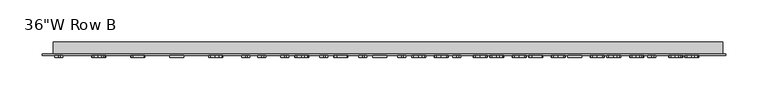
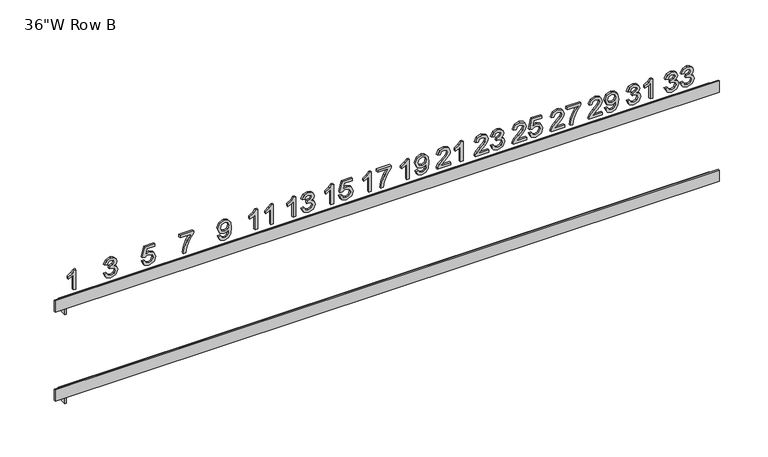
"""IFC4 building model written with IfcOpenShell, lengths in millimetres: furniture geometry."""

from ifc_helpers import new_model, si_unit, frame, origin, place, context, project, spatial, polyline, outline, extrude, faceted_brep, source, transform, mapped, element, save


def furniture_db284734(model_context):
    return source(origin(), model_context, "Body", "SolidModel", [
        extrude(outline(polyline([(1269.9374769, 354.7691788), (1264.8635827, 357.2542269), (1262.9036308, 362.7372077), (1265.1994, 368.788025), (1270.7922846, 371.1814865), (1274.8587269, 369.9847558), (1276.9957462, 366.5777365), (1279.0656019, 369.1421596), (1281.947525, 370.0091788), (1285.1011548, 369.0963663), (1287.4457702, 366.458674), (1288.3036308, 362.6883615), (1286.5634865, 357.7182654), (1281.6605538, 355.1599481), (1281.2697846, 358.2861019), (1284.2005538, 359.81865), (1285.1774769, 362.7982654), (1284.2097125, 365.7412462), (1281.7643519, 366.883025), (1279.0045442, 365.3077365), (1278.1436308, 361.2596115), (1275.0174769, 360.9115827), (1275.3594, 363.1035538), (1274.0802413, 366.6571115), (1270.8472365, 368.0553327), (1267.4157942, 366.6449), (1266.0297846, 362.8471115), (1267.0372365, 359.6202125), (1270.3282462, 357.8953327), (1269.9374769, 354.7691788)])), frame((0.0, -18.25625, 0.0), z_axis=(0.0, 1.0, 0.0), x_axis=(0.0, 0.0, 1.0)), (0.0, 0.0, 1.0), 2.38125),
        extrude(outline(polyline([(1269.9374769, 373.9168712), (1264.8635827, 376.4019192), (1262.9036308, 381.8849), (1265.1994, 387.9357173), (1270.7922846, 390.3291788), (1274.8587269, 389.1324481), (1276.9957462, 385.7254288), (1279.0656019, 388.2898519), (1281.947525, 389.1568712), (1285.1011548, 388.2440587), (1287.4457702, 385.6063663), (1288.3036308, 381.8360538), (1286.5634865, 376.8659577), (1281.6605538, 374.3076404), (1281.2697846, 377.4337942), (1284.2005538, 378.9663423), (1285.1774769, 381.9459577), (1284.2097125, 384.8889385), (1281.7643519, 386.0307173), (1279.0045442, 384.4554288), (1278.1436308, 380.4073038), (1275.0174769, 380.059275), (1275.3594, 382.2512462), (1274.0802413, 385.8048038), (1270.8472365, 387.203025), (1267.4157942, 385.7925923), (1266.0297846, 381.9948038), (1267.0372365, 378.7679048), (1270.3282462, 377.043025), (1269.9374769, 373.9168712)])), frame((0.0, -18.25625, 0.0), z_axis=(0.0, 1.0, 0.0), x_axis=(0.0, 0.0, 1.0)), (0.0, 0.0, 1.0), 2.38125),
        extrude(outline(polyline([(1269.9374769, 308.7316788), (1264.8635827, 311.2167269), (1262.9036308, 316.6997077), (1265.1994, 322.750525), (1270.7922846, 325.1439865), (1274.8587269, 323.9472558), (1276.9957462, 320.5402365), (1279.0656019, 323.1046596), (1281.947525, 323.9716788), (1285.1011548, 323.0588663), (1287.4457702, 320.421174), (1288.3036308, 316.6508615), (1286.5634865, 311.6807654), (1281.6605538, 309.1224481), (1281.2697846, 312.2486019), (1284.2005538, 313.78115), (1285.1774769, 316.7607654), (1284.2097125, 319.7037462), (1281.7643519, 320.845525), (1279.0045442, 319.2702365), (1278.1436308, 315.2221115), (1275.0174769, 314.8740827), (1275.3594, 317.0660538), (1274.0802413, 320.6196115), (1270.8472365, 322.0178327), (1267.4157942, 320.6074), (1266.0297846, 316.8096115), (1267.0372365, 313.5827125), (1270.3282462, 311.8578327), (1269.9374769, 308.7316788)])), frame((0.0, -18.25625, 0.0), z_axis=(0.0, 1.0, 0.0), x_axis=(0.0, 0.0, 1.0)), (0.0, 0.0, 1.0), 2.38125),
        extrude(outline(polyline([(1263.2944, 339.6024481), (1288.3036308, 339.6024481), (1288.3036308, 337.5875442), (1284.9759865, 334.8063663), (1282.0513231, 330.2239865), (1279.0961308, 330.2239865), (1280.6744721, 333.5149962), (1282.7840154, 336.4762942), (1263.2944, 336.4762942), (1263.2944, 339.6024481)])), frame((0.0, -18.25625, 0.0), z_axis=(0.0, 1.0, 0.0), x_axis=(0.0, 0.0, 1.0)), (0.0, 0.0, 1.0), 2.38125),
        extrude(outline(polyline([(1266.4205538, 278.7157173), (1266.4205538, 266.4370154), (1268.0111067, 267.8474481), (1271.0181981, 271.4437462), (1275.3013952, 275.9223279), (1278.3664913, 277.7693231), (1281.3308423, 278.3249481), (1286.3009385, 276.264251), (1288.3036308, 270.6683135), (1286.5024288, 265.0906933), (1281.2697846, 262.6941788), (1280.8790154, 265.8203327), (1284.0356981, 267.136126), (1285.1774769, 270.60115), (1284.0082221, 273.9257413), (1281.1415635, 275.1987942), (1277.6002173, 273.8494192), (1272.3919962, 268.4519192), (1268.7682221, 264.5381212), (1265.4497365, 262.6392269), (1263.2944, 262.3034096), (1263.2944, 278.7157173), (1266.4205538, 278.7157173)])), frame((0.0, -18.25625, 0.0), z_axis=(0.0, 1.0, 0.0), x_axis=(0.0, 0.0, 1.0)), (0.0, 0.0, 1.0), 2.38125),
        extrude(outline(polyline([(1269.5467077, 282.2326404), (1264.6468279, 284.4734577), (1262.9036308, 289.2786981), (1264.3812269, 294.1053087), (1268.6827413, 297.2100923), (1276.2752654, 298.2541788), (1283.2724769, 297.2070394), (1286.9969962, 294.1419433), (1288.3036308, 289.6877846), (1286.0139673, 284.0796356), (1279.9692558, 281.8418712), (1274.1138231, 283.9758375), (1271.8913231, 289.1993231), (1272.8010827, 292.6277125), (1274.5595442, 295.1463423), (1270.9327173, 294.6945154), (1268.21565, 293.671799), (1266.6250971, 291.9560779), (1266.0297846, 289.4252365), (1266.9548087, 286.7631212), (1269.9374769, 285.3587942), (1269.5467077, 282.2326404)]), holes=[polyline([(1280.042525, 295.128025), (1276.3515875, 293.7145394), (1275.0174769, 290.1090827), (1276.3515875, 286.3540346), (1279.8166115, 284.968025), (1283.6846163, 286.4334096), (1285.1774769, 290.1945635), (1283.7914673, 293.77865), (1280.042525, 295.128025)])]), frame((0.0, -18.25625, 0.0), z_axis=(0.0, 1.0, 0.0), x_axis=(0.0, 0.0, 1.0)), (0.0, 0.0, 1.0), 2.38125),
        extrude(outline(polyline([(1266.4205538, 232.6782173), (1266.4205538, 220.3995154), (1268.0111067, 221.8099481), (1271.0181981, 225.4062462), (1275.3013952, 229.8848279), (1278.3664913, 231.7318231), (1281.3308423, 232.2874481), (1286.3009385, 230.226751), (1288.3036308, 224.6308135), (1286.5024288, 219.0531933), (1281.2697846, 216.6566788), (1280.8790154, 219.7828327), (1284.0356981, 221.098626), (1285.1774769, 224.56365), (1284.0082221, 227.8882413), (1281.1415635, 229.1612942), (1277.6002173, 227.8119192), (1272.3919962, 222.4144192), (1268.7682221, 218.5006212), (1265.4497365, 216.6017269), (1263.2944, 216.2659096), (1263.2944, 232.6782173), (1266.4205538, 232.6782173)])), frame((0.0, -18.25625, 0.0), z_axis=(0.0, 1.0, 0.0), x_axis=(0.0, 0.0, 1.0)), (0.0, 0.0, 1.0), 2.38125),
        extrude(outline(polyline([(1284.7867077, 235.8043712), (1284.7867077, 249.090525), (1278.3176452, 244.3646596), (1270.3465635, 240.9545875), (1263.2944, 239.7120635), (1263.2944, 242.8382173), (1270.0901212, 243.9983135), (1278.6595683, 247.5610298), (1285.3850731, 252.2166788), (1287.9128615, 252.2166788), (1287.9128615, 235.8043712), (1284.7867077, 235.8043712)])), frame((0.0, -18.25625, 0.0), z_axis=(0.0, 1.0, 0.0), x_axis=(0.0, 0.0, 1.0)), (0.0, 0.0, 1.0), 2.38125),
        extrude(outline(polyline([(1266.4205538, 186.6407173), (1266.4205538, 174.3620154), (1268.0111067, 175.7724481), (1271.0181981, 179.3687462), (1275.3013952, 183.8473279), (1278.3664913, 185.6943231), (1281.3308423, 186.2499481), (1286.3009385, 184.189251), (1288.3036308, 178.5933135), (1286.5024288, 173.0156933), (1281.2697846, 170.6191788), (1280.8790154, 173.7453327), (1284.0356981, 175.061126), (1285.1774769, 178.52615), (1284.0082221, 181.8507413), (1281.1415635, 183.1237942), (1277.6002173, 181.7744192), (1272.3919962, 176.3769192), (1268.7682221, 172.4631212), (1265.4497365, 170.5642269), (1263.2944, 170.2284096), (1263.2944, 186.6407173), (1266.4205538, 186.6407173)])), frame((0.0, -18.25625, 0.0), z_axis=(0.0, 1.0, 0.0), x_axis=(0.0, 0.0, 1.0)), (0.0, 0.0, 1.0), 2.38125),
        extrude(outline(polyline([(1269.9374769, 189.7668712), (1264.830001, 192.206126), (1262.9036308, 197.7226885), (1265.9015635, 204.2192269), (1271.7020442, 206.1791788), (1277.4658904, 204.0024721), (1279.7067077, 198.6568712), (1277.8994, 194.08365), (1284.7867077, 195.4208135), (1284.7867077, 205.0068712), (1287.9128615, 205.0068712), (1287.9128615, 192.893025), (1275.0174769, 190.1576404), (1274.6267077, 193.2837942), (1276.0371404, 195.0392029), (1276.5805538, 197.7837462), (1275.2189673, 201.7433375), (1271.5066596, 203.053025), (1267.528751, 201.6548038), (1266.0297846, 197.7349), (1267.1074529, 194.4683135), (1270.3282462, 192.893025), (1269.9374769, 189.7668712)])), frame((0.0, -18.25625, 0.0), z_axis=(0.0, 1.0, 0.0), x_axis=(0.0, 0.0, 1.0)), (0.0, 0.0, 1.0), 2.38125),
        extrude(outline(polyline([(1266.4205538, 140.6032173), (1266.4205538, 128.3245154), (1268.0111067, 129.7349481), (1271.0181981, 133.3312462), (1275.3013952, 137.8098279), (1278.3664913, 139.6568231), (1281.3308423, 140.2124481), (1286.3009385, 138.151751), (1288.3036308, 132.5558135), (1286.5024288, 126.9781933), (1281.2697846, 124.5816788), (1280.8790154, 127.7078327), (1284.0356981, 129.023626), (1285.1774769, 132.48865), (1284.0082221, 135.8132413), (1281.1415635, 137.0862942), (1277.6002173, 135.7369192), (1272.3919962, 130.3394192), (1268.7682221, 126.4256212), (1265.4497365, 124.5267269), (1263.2944, 124.1909096), (1263.2944, 140.6032173), (1266.4205538, 140.6032173)])), frame((0.0, -18.25625, 0.0), z_axis=(0.0, 1.0, 0.0), x_axis=(0.0, 0.0, 1.0)), (0.0, 0.0, 1.0), 2.38125),
        extrude(outline(polyline([(1269.9374769, 143.7293712), (1264.8635827, 146.2144192), (1262.9036308, 151.6974), (1265.1994, 157.7482173), (1270.7922846, 160.1416788), (1274.8587269, 158.9449481), (1276.9957462, 155.5379288), (1279.0656019, 158.1023519), (1281.947525, 158.9693712), (1285.1011548, 158.0565587), (1287.4457702, 155.4188663), (1288.3036308, 151.6485538), (1286.5634865, 146.6784577), (1281.6605538, 144.1201404), (1281.2697846, 147.2462942), (1284.2005538, 148.7788423), (1285.1774769, 151.7584577), (1284.2097125, 154.7014385), (1281.7643519, 155.8432173), (1279.0045442, 154.2679288), (1278.1436308, 150.2198038), (1275.0174769, 149.871775), (1275.3594, 152.0637462), (1274.0802413, 155.6173038), (1270.8472365, 157.015525), (1267.4157942, 155.6050923), (1266.0297846, 151.8073038), (1267.0372365, 148.5804048), (1270.3282462, 146.855525), (1269.9374769, 143.7293712)])), frame((0.0, -18.25625, 0.0), z_axis=(0.0, 1.0, 0.0), x_axis=(0.0, 0.0, 1.0)), (0.0, 0.0, 1.0), 2.38125),
        extrude(outline(polyline([(1266.4205538, 94.5657173), (1266.4205538, 82.2870154), (1268.0111067, 83.6974481), (1271.0181981, 87.2937462), (1275.3013952, 91.7723279), (1278.3664913, 93.6193231), (1281.3308423, 94.1749481), (1286.3009385, 92.114251), (1288.3036308, 86.5183135), (1286.5024288, 80.9406933), (1281.2697846, 78.5441788), (1280.8790154, 81.6703327), (1284.0356981, 82.986126), (1285.1774769, 86.45115), (1284.0082221, 89.7757413), (1281.1415635, 91.0487942), (1277.6002173, 89.6994192), (1272.3919962, 84.3019192), (1268.7682221, 80.3881212), (1265.4497365, 78.4892269), (1263.2944, 78.1534096), (1263.2944, 94.5657173), (1266.4205538, 94.5657173)])), frame((0.0, -18.25625, 0.0), z_axis=(0.0, 1.0, 0.0), x_axis=(0.0, 0.0, 1.0)), (0.0, 0.0, 1.0), 2.38125),
        extrude(outline(polyline([(1263.2944, 109.4149481), (1288.3036308, 109.4149481), (1288.3036308, 107.4000442), (1284.9759865, 104.6188663), (1282.0513231, 100.0364865), (1279.0961308, 100.0364865), (1280.6744721, 103.3274962), (1282.7840154, 106.2887942), (1263.2944, 106.2887942), (1263.2944, 109.4149481)])), frame((0.0, -18.25625, 0.0), z_axis=(0.0, 1.0, 0.0), x_axis=(0.0, 0.0, 1.0)), (0.0, 0.0, 1.0), 2.38125),
        extrude(outline(polyline([(1263.2944, 44.2297558), (1288.3036308, 44.2297558), (1288.3036308, 42.2148519), (1284.9759865, 39.433674), (1282.0513231, 34.8512942), (1279.0961308, 34.8512942), (1280.6744721, 38.1423038), (1282.7840154, 41.1036019), (1263.2944, 41.1036019), (1263.2944, 44.2297558)])), frame((0.0, -18.25625, 0.0), z_axis=(0.0, 1.0, 0.0), x_axis=(0.0, 0.0, 1.0)), (0.0, 0.0, 1.0), 2.38125),
        extrude(outline(polyline([(1269.5467077, 52.0451404), (1264.6468279, 54.2859577), (1262.9036308, 59.0911981), (1264.3812269, 63.9178087), (1268.6827413, 67.0225923), (1276.2752654, 68.0666788), (1283.2724769, 67.0195394), (1286.9969962, 63.9544433), (1288.3036308, 59.5002846), (1286.0139673, 53.8921356), (1279.9692558, 51.6543712), (1274.1138231, 53.7883375), (1271.8913231, 59.0118231), (1272.8010827, 62.4402125), (1274.5595442, 64.9588423), (1270.9327173, 64.5070154), (1268.21565, 63.484299), (1266.6250971, 61.7685779), (1266.0297846, 59.2377365), (1266.9548087, 56.5756212), (1269.9374769, 55.1712942), (1269.5467077, 52.0451404)]), holes=[polyline([(1280.042525, 64.940525), (1276.3515875, 63.5270394), (1275.0174769, 59.9215827), (1276.3515875, 56.1665346), (1279.8166115, 54.780525), (1283.6846163, 56.2459096), (1285.1774769, 60.0070635), (1283.7914673, 63.59115), (1280.042525, 64.940525)])]), frame((0.0, -18.25625, 0.0), z_axis=(0.0, 1.0, 0.0), x_axis=(0.0, 0.0, 1.0)), (0.0, 0.0, 1.0), 2.38125),
        extrude(outline(polyline([(1263.2944, -1.8077442), (1288.3036308, -1.8077442), (1288.3036308, -3.8226481), (1284.9759865, -6.603826), (1282.0513231, -11.1862058), (1279.0961308, -11.1862058), (1280.6744721, -7.8951962), (1282.7840154, -4.9338981), (1263.2944, -4.9338981), (1263.2944, -1.8077442)])), frame((0.0, -18.25625, 0.0), z_axis=(0.0, 1.0, 0.0), x_axis=(0.0, 0.0, 1.0)), (0.0, 0.0, 1.0), 2.38125),
        extrude(outline(polyline([(1284.7867077, 5.6168712), (1284.7867077, 18.903025), (1278.3176452, 14.1771596), (1270.3465635, 10.7670875), (1263.2944, 9.5245635), (1263.2944, 12.6507173), (1270.0901212, 13.8108135), (1278.6595683, 17.3735298), (1285.3850731, 22.0291788), (1287.9128615, 22.0291788), (1287.9128615, 5.6168712), (1284.7867077, 5.6168712)])), frame((0.0, -18.25625, 0.0), z_axis=(0.0, 1.0, 0.0), x_axis=(0.0, 0.0, 1.0)), (0.0, 0.0, 1.0), 2.38125),
        extrude(outline(polyline([(1263.2944, -47.8452442), (1288.3036308, -47.8452442), (1288.3036308, -49.8601481), (1284.9759865, -52.641326), (1282.0513231, -57.2237058), (1279.0961308, -57.2237058), (1280.6744721, -53.9326962), (1282.7840154, -50.9713981), (1263.2944, -50.9713981), (1263.2944, -47.8452442)])), frame((0.0, -18.25625, 0.0), z_axis=(0.0, 1.0, 0.0), x_axis=(0.0, 0.0, 1.0)), (0.0, 0.0, 1.0), 2.38125),
        extrude(outline(polyline([(1269.9374769, -40.4206288), (1264.830001, -37.981374), (1262.9036308, -32.4648115), (1265.9015635, -25.9682731), (1271.7020442, -24.0083212), (1277.4658904, -26.1850279), (1279.7067077, -31.5306288), (1277.8994, -36.10385), (1284.7867077, -34.7666865), (1284.7867077, -25.1806288), (1287.9128615, -25.1806288), (1287.9128615, -37.294475), (1275.0174769, -40.0298596), (1274.6267077, -36.9037058), (1276.0371404, -35.1482971), (1276.5805538, -32.4037538), (1275.2189673, -28.4441625), (1271.5066596, -27.134475), (1267.528751, -28.5326962), (1266.0297846, -32.4526), (1267.1074529, -35.7191865), (1270.3282462, -37.294475), (1269.9374769, -40.4206288)])), frame((0.0, -18.25625, 0.0), z_axis=(0.0, 1.0, 0.0), x_axis=(0.0, 0.0, 1.0)), (0.0, 0.0, 1.0), 2.38125),
        extrude(outline(polyline([(1263.2944, -93.8827442), (1288.3036308, -93.8827442), (1288.3036308, -95.8976481), (1284.9759865, -98.678826), (1282.0513231, -103.2612058), (1279.0961308, -103.2612058), (1280.6744721, -99.9701962), (1282.7840154, -97.0088981), (1263.2944, -97.0088981), (1263.2944, -93.8827442)])), frame((0.0, -18.25625, 0.0), z_axis=(0.0, 1.0, 0.0), x_axis=(0.0, 0.0, 1.0)), (0.0, 0.0, 1.0), 2.38125),
        extrude(outline(polyline([(1269.9374769, -86.4581288), (1264.8635827, -83.9730808), (1262.9036308, -78.4901), (1265.1994, -72.4392827), (1270.7922846, -70.0458212), (1274.8587269, -71.2425519), (1276.9957462, -74.6495712), (1279.0656019, -72.0851481), (1281.947525, -71.2181288), (1285.1011548, -72.1309413), (1287.4457702, -74.7686337), (1288.3036308, -78.5389462), (1286.5634865, -83.5090423), (1281.6605538, -86.0673596), (1281.2697846, -82.9412058), (1284.2005538, -81.4086577), (1285.1774769, -78.4290423), (1284.2097125, -75.4860615), (1281.7643519, -74.3442827), (1279.0045442, -75.9195712), (1278.1436308, -79.9676962), (1275.0174769, -80.315725), (1275.3594, -78.1237538), (1274.0802413, -74.5701962), (1270.8472365, -73.171975), (1267.4157942, -74.5824077), (1266.0297846, -78.3801962), (1267.0372365, -81.6070952), (1270.3282462, -83.331975), (1269.9374769, -86.4581288)])), frame((0.0, -18.25625, 0.0), z_axis=(0.0, 1.0, 0.0), x_axis=(0.0, 0.0, 1.0)), (0.0, 0.0, 1.0), 2.38125),
        extrude(outline(polyline([(1263.2944, -139.9202442), (1288.3036308, -139.9202442), (1288.3036308, -141.9351481), (1284.9759865, -144.716326), (1282.0513231, -149.2987058), (1279.0961308, -149.2987058), (1280.6744721, -146.0076962), (1282.7840154, -143.0463981), (1263.2944, -143.0463981), (1263.2944, -139.9202442)])), frame((0.0, -18.25625, 0.0), z_axis=(0.0, 1.0, 0.0), x_axis=(0.0, 0.0, 1.0)), (0.0, 0.0, 1.0), 2.38125),
        extrude(outline(polyline([(1263.2944, -120.7725519), (1288.3036308, -120.7725519), (1288.3036308, -122.7874558), (1284.9759865, -125.5686337), (1282.0513231, -130.1510135), (1279.0961308, -130.1510135), (1280.6744721, -126.8600038), (1282.7840154, -123.8987058), (1263.2944, -123.8987058), (1263.2944, -120.7725519)])), frame((0.0, -18.25625, 0.0), z_axis=(0.0, 1.0, 0.0), x_axis=(0.0, 0.0, 1.0)), (0.0, 0.0, 1.0), 2.38125),
        extrude(outline(polyline([(1269.5467077, -187.7162058), (1264.6468279, -185.4753885), (1262.9036308, -180.6701481), (1264.3812269, -175.8435375), (1268.6827413, -172.7387538), (1276.2752654, -171.6946673), (1283.2724769, -172.7418067), (1286.9969962, -175.8069029), (1288.3036308, -180.2610615), (1286.0139673, -185.8692106), (1279.9692558, -188.106975), (1274.1138231, -185.9730087), (1271.8913231, -180.7495231), (1272.8010827, -177.3211337), (1274.5595442, -174.8025038), (1270.9327173, -175.2543308), (1268.21565, -176.2770471), (1266.6250971, -177.9927683), (1266.0297846, -180.5236096), (1266.9548087, -183.185725), (1269.9374769, -184.5900519), (1269.5467077, -187.7162058)]), holes=[polyline([(1280.042525, -174.8208212), (1276.3515875, -176.2343067), (1275.0174769, -179.8397635), (1276.3515875, -183.5948115), (1279.8166115, -184.9808212), (1283.6846163, -183.5154365), (1285.1774769, -179.7542827), (1283.7914673, -176.1701962), (1280.042525, -174.8208212)])]), frame((0.0, -18.25625, 0.0), z_axis=(0.0, 1.0, 0.0), x_axis=(0.0, 0.0, 1.0)), (0.0, 0.0, 1.0), 2.38125),
        extrude(outline(polyline([(1284.7867077, -234.144475), (1284.7867077, -220.8583212), (1278.3176452, -225.5841865), (1270.3465635, -228.9942587), (1263.2944, -230.2367827), (1263.2944, -227.1106288), (1270.0901212, -225.9505327), (1278.6595683, -222.3878163), (1285.3850731, -217.7321673), (1287.9128615, -217.7321673), (1287.9128615, -234.144475), (1284.7867077, -234.144475)])), frame((0.0, -18.25625, 0.0), z_axis=(0.0, 1.0, 0.0), x_axis=(0.0, 0.0, 1.0)), (0.0, 0.0, 1.0), 2.38125),
        extrude(outline(polyline([(1269.9374769, -280.181975), (1264.830001, -277.7427202), (1262.9036308, -272.2261577), (1265.9015635, -265.7296192), (1271.7020442, -263.7696673), (1277.4658904, -265.946374), (1279.7067077, -271.291975), (1277.8994, -275.8651962), (1284.7867077, -274.5280327), (1284.7867077, -264.941975), (1287.9128615, -264.941975), (1287.9128615, -277.0558212), (1275.0174769, -279.7912058), (1274.6267077, -276.6650519), (1276.0371404, -274.9096433), (1276.5805538, -272.1651), (1275.2189673, -268.2055087), (1271.5066596, -266.8958212), (1267.528751, -268.2940423), (1266.0297846, -272.2139462), (1267.1074529, -275.4805327), (1270.3282462, -277.0558212), (1269.9374769, -280.181975)])), frame((0.0, -18.25625, 0.0), z_axis=(0.0, 1.0, 0.0), x_axis=(0.0, 0.0, 1.0)), (0.0, 0.0, 1.0), 2.38125),
        extrude(outline(polyline([(1269.9374769, -326.219475), (1264.8635827, -323.7344269), (1262.9036308, -318.2514462), (1265.1994, -312.2006288), (1270.7922846, -309.8071673), (1274.8587269, -311.0038981), (1276.9957462, -314.4109173), (1279.0656019, -311.8464942), (1281.947525, -310.979475), (1285.1011548, -311.8922875), (1287.4457702, -314.5299798), (1288.3036308, -318.3002923), (1286.5634865, -323.2703885), (1281.6605538, -325.8287058), (1281.2697846, -322.7025519), (1284.2005538, -321.1700038), (1285.1774769, -318.1903885), (1284.2097125, -315.2474077), (1281.7643519, -314.1056288), (1279.0045442, -315.6809173), (1278.1436308, -319.7290423), (1275.0174769, -320.0770712), (1275.3594, -317.8851), (1274.0802413, -314.3315423), (1270.8472365, -312.9333212), (1267.4157942, -314.3437538), (1266.0297846, -318.1415423), (1267.0372365, -321.3684413), (1270.3282462, -323.0933212), (1269.9374769, -326.219475)])), frame((0.0, -18.25625, 0.0), z_axis=(0.0, 1.0, 0.0), x_axis=(0.0, 0.0, 1.0)), (0.0, 0.0, 1.0), 2.38125),
        extrude(outline(polyline([(1263.2944, -360.5338981), (1288.3036308, -360.5338981), (1288.3036308, -362.5488019), (1284.9759865, -365.3299798), (1282.0513231, -369.9123596), (1279.0961308, -369.9123596), (1280.6744721, -366.62135), (1282.7840154, -363.6600519), (1263.2944, -363.6600519), (1263.2944, -360.5338981)])), frame((0.0, -18.25625, 0.0), z_axis=(0.0, 1.0, 0.0), x_axis=(0.0, 0.0, 1.0)), (0.0, 0.0, 1.0), 2.38125),
        faceted_brep([(-371.7873583, -13.9699322, 1117.1991562), (-369.8823681, -13.9699322, 1117.1991562), (-369.8823681, -13.9699322, 1126.4906403), (-371.7873583, -13.9699322, 1126.4906403), (-371.7873583, 0.0, 1117.1991562), (-371.7873583, 0.0, 1129.8997194), (418.7822789, 0.0, 1129.8997194), (418.7822789, 0.0, 1126.4906403), (-369.8823681, 0.0, 1126.4906403), (-369.8823681, 0.0, 1117.1991562), (418.7822789, -13.9699322, 1126.4906403), (421.9627049, -13.9699322, 1126.4906403), (421.9627049, -15.875, 1126.4906403), (-384.4872951, -15.875, 1126.4906403), (-384.4872951, -13.9699322, 1126.4906403), (418.7822789, -13.9699322, 1129.8997194), (-371.7873583, -13.9699322, 1129.8997194), (-384.4872951, -15.875, 1140.7145632), (-384.4872951, -13.9699322, 1140.7145632), (421.9627049, -15.875, 1140.7145632), (421.9627049, -13.9699322, 1140.7145632)], [[[0, 1, 2, 3]], [[4, 5, 6, 7, 8, 9]], [[1, 0, 4, 9]], [[2, 1, 9, 8]], [[8, 7, 10, 11, 12, 13, 14, 3, 2]], [[7, 6, 15, 10]], [[6, 5, 16, 15]], [[5, 4, 0, 3, 16]], [[17, 18, 14, 13]], [[19, 12, 11, 20]], [[18, 17, 19, 20]], [[14, 18, 20, 11, 10, 15, 16, 3]], [[17, 13, 12, 19]]]),
        faceted_brep([(-371.7873583, -13.9699322, 1231.5191167), (-369.8823681, -13.9699322, 1231.5191167), (-369.8823681, -13.9699322, 1240.7900703), (-371.7873583, -13.9699322, 1240.7900703), (-371.7873583, 0.0, 1231.5191167), (-371.7873583, 0.0, 1244.2190534), (418.7822789, 0.0, 1244.2190534), (418.7822789, 0.0, 1240.7900703), (-369.8823681, 0.0, 1240.7900703), (-369.8823681, 0.0, 1231.5191167), (418.7822789, -13.9699322, 1240.7900703), (421.9627049, -13.9699322, 1240.7900703), (421.9627049, -15.875, 1240.7900703), (-384.4872951, -15.875, 1240.7900703), (-384.4872951, -13.9699322, 1240.7900703), (418.7822789, -13.9699322, 1244.2190534), (-371.7873583, -13.9699322, 1244.2190534), (-384.4872951, -15.875, 1255.014), (-384.4872951, -13.9699322, 1255.014), (421.9627049, -13.9699322, 1255.014), (421.9627049, -15.875, 1255.014)], [[[0, 1, 2, 3]], [[4, 5, 6, 7, 8, 9]], [[1, 0, 4, 9]], [[2, 1, 9, 8]], [[8, 7, 10, 11, 12, 13, 14, 3, 2]], [[7, 6, 15, 10]], [[6, 5, 16, 15]], [[5, 4, 0, 3, 16]], [[14, 13, 17, 18]], [[11, 19, 20, 12]], [[17, 13, 12, 20]], [[18, 17, 20, 19]], [[14, 18, 19, 11, 10, 15, 16, 3]]]),
    ])


if __name__ == "__main__":
    model = new_model("IFC4")
    model_context = context("Model", 3, world=origin())
    ifc_project = project(units=[si_unit("LENGTHUNIT", "METRE", prefix="MILLI")], contexts=[model_context])
    site = spatial("IfcSite", under=ifc_project)
    building = spatial("IfcBuilding", under=site)
    placement = place(None, origin())
    furniture_shape = furniture_db284734(model_context)
    element("IfcFurniture", 1, ObjectType="36\"W Row B", at=placement, inside=building, context=model_context, shape_type="MappedRepresentation", body=[
        mapped(furniture_shape, transform((0.0, 0.0, 0.0), x_axis=(1.0, 0.0, 0.0), y_axis=(0.0, 1.0, 0.0), z_axis=(0.0, 0.0, 1.0))),
    ])
    save(model, "model.ifc")
